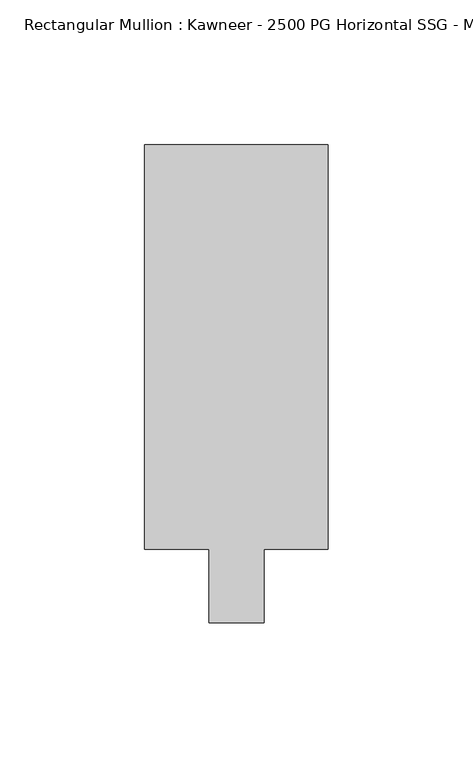
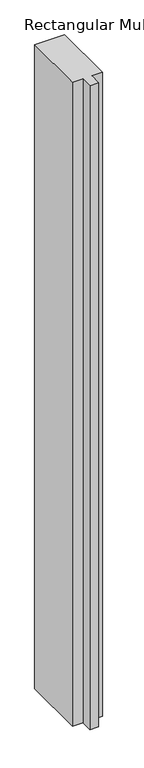
"""IFC4 building model written with IfcOpenShell, lengths in millimetres: member geometry, Rectangular Mullion : Kawneer - 2500 PG Horizontal SSG - Mullion_Horizontal."""

from ifc_helpers import new_model, si_unit, frame, origin, place, context, project, spatial, polyline, outline, extrude, source, transform, mapped, element, save


def rectangular_mullion_kawneer_2500_pg_horizontal_ssg_mullion_8c0354d1(model_context):
    return source(origin(), model_context, "Body", "SweptSolid", [
        extrude(outline(polyline([(-9.525, -69.85), (-9.525, -44.45), (-31.75, -44.45), (-31.75, 95.25), (31.75, 95.25), (31.75, -44.45), (9.525, -44.45), (9.525, -69.85), (-9.525, -69.85)])), frame((0.0, 0.0, -1451.5050876), z_axis=(0.0, 0.0, 1.0), x_axis=(1.0, 0.0, 0.0)), (0.0, 0.0, 1.0), 1451.5050876),
    ])


if __name__ == "__main__":
    model = new_model("IFC4")
    model_context = context("Model", 3, world=origin())
    ifc_project = project(units=[si_unit("LENGTHUNIT", "METRE", prefix="MILLI")], contexts=[model_context])
    site = spatial("IfcSite", under=ifc_project)
    building = spatial("IfcBuilding", under=site)
    placement = place(None, origin())
    rectangular_mullion_kawneer_2500_pg_horizontal_ssg_mullion_shape = rectangular_mullion_kawneer_2500_pg_horizontal_ssg_mullion_8c0354d1(model_context)
    element("IfcMember", 1, ObjectType="Rectangular Mullion : Kawneer - 2500 PG Horizontal SSG - Mullion_Horizontal", at=placement, inside=building, context=model_context, shape_type="MappedRepresentation", body=[
        mapped(rectangular_mullion_kawneer_2500_pg_horizontal_ssg_mullion_shape, transform((0.0, 0.0, 0.0), x_axis=(1.0, 0.0, 0.0), y_axis=(0.0, 1.0, 0.0), z_axis=(0.0, 0.0, 1.0))),
    ])
    save(model, "model.ifc")
